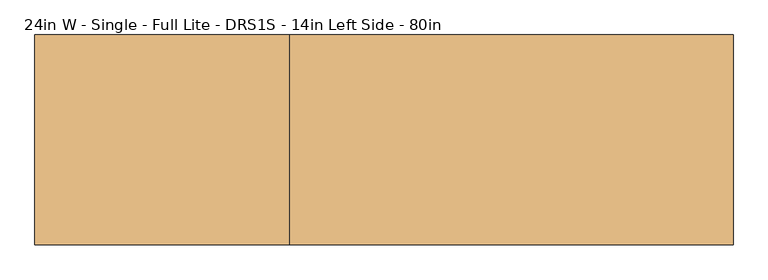
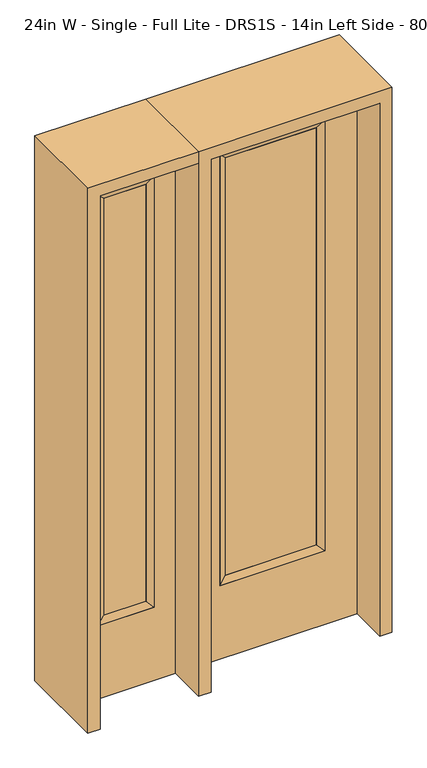
"""IFC4 building model written with IfcOpenShell, lengths in millimetres: door geometry, 24in W - Single - Full Lite - DRS1S - 14in Left Side - 80in."""

import ifcopenshell
import ifcopenshell.guid

model = None  # the IFC model being written
_history = None  # IfcOwnerHistory: only IFC2X3 demands one
_inside = {}  # id of a spatial element -> (the spatial element, [elements in it])
_under = {}  # id of a project, library or spatial element -> (it, [spatial elements below it])
_declared = {}  # id of a project -> (the project, [libraries it declares])
_typed = {}  # id of a type object -> (the type object, [elements of that type])
_made_of = {}  # id of a material, layer set ... -> (it, [elements and type objects made of it])


def new_model(schema):
    """Start an empty IFC model of exactly this schema.

    Asked for "IFC4X3", IfcOpenShell would pick the latest addendum, in which some entities
    have other attributes; the version numbers below select the first issue.
    IFC2X3 requires an IfcOwnerHistory on every rooted entity: one is made here for all.
    """
    global model, _history
    if schema == "IFC4X3":
        model = ifcopenshell.file(schema_version=(4, 3, 0, 0))
    else:
        model = ifcopenshell.file(schema=schema)
    _inside.clear()
    _under.clear()
    _declared.clear()
    _typed.clear()
    _made_of.clear()
    _history = None
    if model.schema == "IFC2X3":
        org = make("IfcOrganization", Name="unknown")
        user = make(
            "IfcPersonAndOrganization",
            ThePerson=make("IfcPerson", FamilyName="unknown"),
            TheOrganization=org,
        )
        app = make(
            "IfcApplication",
            ApplicationDeveloper=org,
            Version="unknown",
            ApplicationFullName="unknown",
            ApplicationIdentifier="unknown",
        )
        _history = make(
            "IfcOwnerHistory",
            OwningUser=user,
            OwningApplication=app,
            ChangeAction="ADDED",
            CreationDate=0,
        )
    return model


def make(cls, **values):
    """One entity of the class cls with the attributes given. An attribute that is None is left unset."""
    return model.create_entity(
        cls, **{name: value for name, value in values.items() if value is not None}
    )


def rooted(cls, **values):
    """An entity with a GlobalId (a new one), such as an element, a storey or a relation."""
    return make(cls, GlobalId=ifcopenshell.guid.new(), OwnerHistory=_history, **values)


def si_unit(unit_type, name, prefix=None):
    """IfcSIUnit, for example si_unit("LENGTHUNIT", "METRE", prefix="MILLI")."""
    return make("IfcSIUnit", UnitType=unit_type, Prefix=prefix, Name=name)


def assignment(units):
    """IfcUnitAssignment: the units of a project."""
    return None if units is None else make("IfcUnitAssignment", Units=units)


def point(xyz):
    """IfcCartesianPoint."""
    return None if xyz is None else make("IfcCartesianPoint", Coordinates=xyz)


def direction(xyz):
    """IfcDirection."""
    return None if xyz is None else make("IfcDirection", DirectionRatios=xyz)


def frame(location, z_axis=None, x_axis=None):
    """IfcAxis2Placement3D, a coordinate frame: its origin and axes. An axis left out is left unset."""
    return make(
        "IfcAxis2Placement3D",
        Location=point(location),
        Axis=direction(z_axis),
        RefDirection=direction(x_axis),
    )


def origin():
    """The frame at (0, 0, 0) with its axes left unset."""
    return frame((0.0, 0.0, 0.0))


def place(relative_to, where):
    """IfcLocalPlacement: puts the frame where relative to a parent placement (None: the world)."""
    return make(
        "IfcLocalPlacement", PlacementRelTo=relative_to, RelativePlacement=where
    )


def context(
    kind, dimensions, precision=None, world=None, true_north=None, identifier=None
):
    """IfcGeometricRepresentationContext, for example the 3D "Model" context."""
    return make(
        "IfcGeometricRepresentationContext",
        ContextIdentifier=identifier,
        ContextType=kind,
        CoordinateSpaceDimension=dimensions,
        Precision=precision,
        WorldCoordinateSystem=world,
        TrueNorth=true_north,
    )


def project(units=None, contexts=None):
    """IfcProject with its units and contexts."""
    return rooted(
        "IfcProject",
        Name="project",
        RepresentationContexts=contexts,
        UnitsInContext=assignment(units),
    )


def spatial(cls, under=None, at=None, **own):
    """A site, building, storey or space (cls), placed at a placement, below another one or the project."""
    s = rooted(cls, ObjectPlacement=at, **own)
    if under is not None:
        _under.setdefault(under.id(), (under, []))[1].append(s)
    return s


def polyline(points):
    """IfcPolyline through the points."""
    return make("IfcPolyline", Points=[point(p) for p in points])


def outline(outer, holes=None, kind="AREA"):
    """IfcArbitraryClosedProfileDef: a profile drawn as a closed curve; with holes, ...WithVoids."""
    if holes is None:
        return make("IfcArbitraryClosedProfileDef", ProfileType=kind, OuterCurve=outer)
    return make(
        "IfcArbitraryProfileDefWithVoids",
        ProfileType=kind,
        OuterCurve=outer,
        InnerCurves=holes,
    )


def extrude(swept, where, along, depth):
    """IfcExtrudedAreaSolid: the profile swept, set in the frame where, extruded along a direction by depth."""
    return make(
        "IfcExtrudedAreaSolid",
        SweptArea=swept,
        Position=where,
        ExtrudedDirection=direction(along),
        Depth=depth,
    )


def faces_of(points, faces, orient=None, outer=None):
    """IfcFace entities. A face is a list of loops; a loop is a list of indices into points, from 0.

    orient and outer hold one flag for each loop. By default every Orientation is true, the
    first loop of a face is its IfcFaceOuterBound and the others are IfcFaceBound.
    """
    made = []
    for i, loops in enumerate(faces):
        bounds = []
        for j, loop in enumerate(loops):
            is_outer = j == 0 if outer is None else outer[i][j]
            bounds.append(
                make(
                    "IfcFaceOuterBound" if is_outer else "IfcFaceBound",
                    Bound=make("IfcPolyLoop", Polygon=[points[k] for k in loop]),
                    Orientation=True if orient is None else orient[i][j],
                )
            )
        made.append(make("IfcFace", Bounds=bounds))
    return made


def faceted_brep(points, faces, orient=None, outer=None, voids=None):
    """IfcFacetedBrep: a solid bounded by flat faces; with voids (closed shells), ...WithVoids."""
    shared = [point(p) for p in points]
    hull = make("IfcClosedShell", CfsFaces=faces_of(shared, faces, orient, outer))
    if voids is None:
        return make("IfcFacetedBrep", Outer=hull)
    return make(
        "IfcFacetedBrepWithVoids",
        Outer=hull,
        Voids=[
            make(cls, CfsFaces=faces_of(shared, fs, o, b)) for cls, fs, o, b in voids
        ],
    )


def shape(context_of_items, identifier, shape_type, items):
    """IfcShapeRepresentation: the items that make up one representation, for example the "Body"."""
    return make(
        "IfcShapeRepresentation",
        ContextOfItems=context_of_items,
        RepresentationIdentifier=identifier,
        RepresentationType=shape_type,
        Items=items,
    )


def source(mapping_origin, context_of_items, identifier, shape_type, items):
    """IfcRepresentationMap: a shape defined once, which mapped items show again and again."""
    return make(
        "IfcRepresentationMap",
        MappingOrigin=mapping_origin,
        MappedRepresentation=shape(context_of_items, identifier, shape_type, items),
    )


def transform(
    local_origin,
    x_axis=None,
    y_axis=None,
    z_axis=None,
    scale=None,
    scale2=None,
    scale3=None,
    uniform=True,
):
    """IfcCartesianTransformationOperator3D, or its non-uniform kind. x_axis, y_axis, z_axis: its Axis1, 2, 3."""
    if uniform:
        return make(
            "IfcCartesianTransformationOperator3D",
            Axis1=direction(x_axis),
            Axis2=direction(y_axis),
            LocalOrigin=point(local_origin),
            Scale=scale,
            Axis3=direction(z_axis),
        )
    return make(
        "IfcCartesianTransformationOperator3DnonUniform",
        Axis1=direction(x_axis),
        Axis2=direction(y_axis),
        LocalOrigin=point(local_origin),
        Scale=scale,
        Axis3=direction(z_axis),
        Scale2=scale2,
        Scale3=scale3,
    )


def mapped(mapping_source, mapping_target):
    """IfcMappedItem: shows the shape of a source again, moved by a transform."""
    return make(
        "IfcMappedItem", MappingSource=mapping_source, MappingTarget=mapping_target
    )


def made_of(thing, what):
    """Note that an element or type object is made of a material, layer set ...; save() writes the relation."""
    if what is not None:
        _made_of.setdefault(what.id(), (what, []))[1].append(thing)
    return thing


def element(
    cls,
    number,
    at=None,
    inside=None,
    cuts=None,
    type_object=None,
    material=None,
    context=None,
    identifier="Body",
    shape_type=None,
    held_by="IfcProductDefinitionShape",
    body=None,
    shapes=None,
    **own,
):
    """One element of the class cls, such as IfcWall. Its Tag is "e" and its number.

    at: its placement. inside: the storey or other place that contains it. cuts: it is an
    opening in that element (IfcRelVoidsElement). A single representation is given by context,
    identifier, shape_type and body (its items); several are given by shapes. held_by: the class
    of the entity that holds the representations. save() writes the other relations.
    """
    e = rooted(cls, Tag="e%d" % number, ObjectPlacement=at, **own)
    if body is not None:
        shapes = [shape(context, identifier, shape_type, body)]
    if shapes is not None:
        e.Representation = make(held_by, Representations=shapes)
    if inside is not None:
        _inside.setdefault(inside.id(), (inside, []))[1].append(e)
    if cuts is not None:
        rooted(
            "IfcRelVoidsElement", RelatingBuildingElement=cuts, RelatedOpeningElement=e
        )
    if type_object is not None:
        _typed.setdefault(type_object.id(), (type_object, []))[1].append(e)
    return made_of(e, material)


def aggregate(whole, parts):
    """IfcRelAggregates: a whole, such as a stair, and the parts it consists of."""
    return rooted("IfcRelAggregates", RelatingObject=whole, RelatedObjects=parts)


def save(model, path):
    """Write the relations noted so far, then the file.

    IfcRelAggregates (storeys below a building ...), IfcRelContainedInSpatialStructure (elements
    in a storey), IfcRelDefinesByType, IfcRelAssociatesMaterial and IfcRelDeclares: one each for
    every whole, place, type object, material and project.
    """
    for whole, parts in _under.values():
        aggregate(whole, parts)
    for where, things in _inside.values():
        rooted(
            "IfcRelContainedInSpatialStructure",
            RelatedElements=things,
            RelatingStructure=where,
        )
    for kind, things in _typed.values():
        rooted("IfcRelDefinesByType", RelatedObjects=things, RelatingType=kind)
    for what, things in _made_of.values():
        rooted("IfcRelAssociatesMaterial", RelatedObjects=things, RelatingMaterial=what)
    for by, libraries in _declared.values():
        rooted("IfcRelDeclares", RelatingContext=by, RelatedDefinitions=libraries)
    model.write(path)


def door_24in_w_single_full_lite_drs1s_14in_left_side_80in_ceecec5b(model_context):
    return source(origin(), model_context, "Body", "SolidModel", [
        extrude(outline(polyline([(163.9824, -12.7039749), (-163.9824, -12.7039749), (-163.9824, 14.2875), (163.9824, 14.2875), (163.9824, -12.7039749)])), frame((0.0, 0.0, 304.8), z_axis=(0.0, 0.0, 1.0), x_axis=(1.0, 0.0, 0.0)), (0.0, 0.0, 1.0), 1591.1576),
        faceted_brep([(163.9824, 14.2875, 1895.9576), (189.3824, 22.225, 1921.3576), (189.3824, 22.225, 279.4), (163.9824, 14.2875, 304.8), (189.3824, -22.225, 1921.3576), (189.3824, -22.225, 279.4), (-189.3824, 22.225, 279.4), (-163.9824, 14.2875, 304.8), (163.9824, -12.7039749, 1895.9576), (163.9824, -12.7039749, 304.8), (-163.9824, -12.7039749, 304.8), (-189.3824, -22.225, 279.4), (-189.3824, 22.225, 1921.3576), (-163.9824, 14.2875, 1895.9576), (-163.9824, -12.7039749, 1895.9576), (-189.3824, -22.225, 1921.3576)], [[[0, 1, 2, 3]], [[1, 4, 5, 2]], [[3, 2, 6, 7]], [[8, 0, 3, 9]], [[9, 3, 7, 10]], [[4, 8, 9, 5]], [[5, 9, 10, 11]], [[2, 5, 11, 6]], [[7, 6, 12, 13]], [[10, 7, 13, 14]], [[11, 10, 14, 15]], [[6, 11, 15, 12]], [[13, 12, 1, 0]], [[14, 13, 0, 8]], [[15, 14, 8, 4]], [[12, 15, 4, 1]]]),
        extrude(outline(polyline([(0.0, -304.8), (0.0, 304.8), (2032.0, 304.8), (2032.0, -304.8), (0.0, -304.8)]), holes=[polyline([(279.4, -189.3824), (1921.3576, -189.3824), (1921.3576, 189.3824), (279.4, 189.3824), (279.4, -189.3824)])]), frame((0.0, -22.225, 0.0), z_axis=(0.0, 1.0, 0.0), x_axis=(0.0, 0.0, 1.0)), (0.0, 0.0, 1.0), 44.45),
        faceted_brep([(-425.45, 20.6375, 1920.875), (-425.45, -20.6375, 1920.875), (-425.45, -20.6375, 279.4), (-425.45, 20.6375, 279.4), (-450.85, -12.7, 1895.475), (-450.85, -12.7, 304.8), (-628.65, -20.6375, 279.4), (-628.65, 20.6375, 279.4), (-450.85, 12.7, 1895.475), (-450.85, 12.7, 304.8), (-603.25, 12.7, 304.8), (-603.25, -12.7, 304.8), (-628.65, -20.6375, 1920.875), (-628.65, 20.6375, 1920.875), (-603.25, 12.7, 1895.475), (-603.25, -12.7, 1895.475)], [[[0, 1, 2, 3]], [[1, 4, 5, 2]], [[3, 2, 6, 7]], [[8, 0, 3, 9]], [[9, 3, 7, 10]], [[4, 8, 9, 5]], [[5, 9, 10, 11]], [[2, 5, 11, 6]], [[7, 6, 12, 13]], [[10, 7, 13, 14]], [[11, 10, 14, 15]], [[6, 11, 15, 12]], [[13, 12, 1, 0]], [[14, 13, 0, 8]], [[15, 14, 8, 4]], [[12, 15, 4, 1]]]),
        extrude(outline(polyline([(0.0, -704.85), (0.0, -349.25), (2032.0, -349.25), (2032.0, -704.85), (0.0, -704.85)]), holes=[polyline([(1920.875, -425.45), (279.4, -425.45), (279.4, -628.65), (1920.875, -628.65), (1920.875, -425.45)])]), frame((0.0, -20.6375, 0.0), z_axis=(0.0, 1.0, 0.0), x_axis=(0.0, 0.0, 1.0)), (0.0, 0.0, 1.0), 41.275),
        extrude(outline(polyline([(-450.85, -12.7), (-603.25, -12.7), (-603.25, 12.7), (-450.85, 12.7), (-450.85, -12.7)])), frame((0.0, 0.0, 304.8), z_axis=(0.0, 0.0, 1.0), x_axis=(1.0, 0.0, 0.0)), (0.0, 0.0, 1.0), 1590.675),
        extrude(outline(polyline([(2032.0, -349.25), (2076.45, -349.25), (2076.45, -749.3), (0.0, -749.3), (0.0, -704.85), (2032.0, -704.85), (2032.0, -349.25)])), frame((0.0, -165.1, 0.0), z_axis=(0.0, 1.0, 0.0), x_axis=(0.0, 0.0, 1.0)), (0.0, 0.0, 1.0), 330.2),
        extrude(outline(polyline([(2076.45, -349.25), (0.0, -349.25), (0.0, -304.8), (2032.0, -304.8), (2032.0, 304.8), (0.0, 304.8), (0.0, 349.25), (2076.45, 349.25), (2076.45, -349.25)])), frame((0.0, -165.1, 0.0), z_axis=(0.0, 1.0, 0.0), x_axis=(0.0, 0.0, 1.0)), (0.0, 0.0, 1.0), 330.2),
    ])


if __name__ == "__main__":
    model = new_model("IFC4")
    model_context = context("Model", 3, world=origin())
    ifc_project = project(units=[si_unit("LENGTHUNIT", "METRE", prefix="MILLI")], contexts=[model_context])
    site = spatial("IfcSite", under=ifc_project)
    building = spatial("IfcBuilding", under=site)
    placement = place(None, origin())
    door_24in_w_single_full_lite_drs1s_14in_left_side_80in_shape = door_24in_w_single_full_lite_drs1s_14in_left_side_80in_ceecec5b(model_context)
    element("IfcDoor", 1, ObjectType="24in W - Single - Full Lite - DRS1S - 14in Left Side - 80in", at=placement, inside=building, context=model_context, shape_type="MappedRepresentation", body=[
        mapped(door_24in_w_single_full_lite_drs1s_14in_left_side_80in_shape, transform((0.0, 0.0, 0.0), x_axis=(1.0, 0.0, 0.0), y_axis=(0.0, 1.0, 0.0), z_axis=(0.0, 0.0, 1.0))),
    ])
    save(model, "model.ifc")
